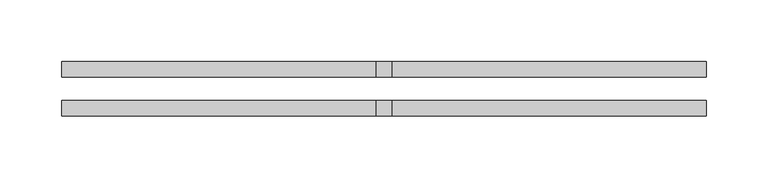
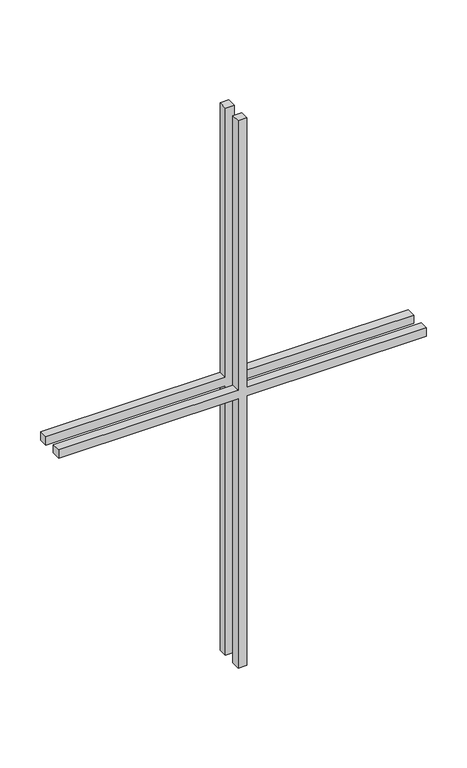
"""IFC4 building model written with IfcOpenShell, lengths in millimetres: proxy geometry."""

from ifc_helpers import new_model, si_unit, frame, origin, place, context, project, spatial, polyline, outline, extrude, source, transform, mapped, element, save


def generic_models_8a7fc2d2(model_context):
    return source(origin(), model_context, "Body", "SweptSolid", [
        extrude(outline(polyline([(418.25, -6.35), (418.25, -261.9), (405.55, -261.9), (405.55, -6.35), (0.0, -6.35), (0.0, 6.35), (405.55, 6.35), (405.55, 261.9), (418.25, 261.9), (418.25, 6.35), (823.8, 6.35), (823.8, -6.35), (418.25, -6.35)])), frame((0.0, -22.225, 0.0), z_axis=(0.0, 1.0, 0.0), x_axis=(0.0, 0.0, 1.0)), (0.0, 0.0, 1.0), 12.7),
        extrude(outline(polyline([(418.25, -6.35), (418.25, -261.9), (405.55, -261.9), (405.55, -6.35), (0.0, -6.35), (0.0, 6.35), (405.55, 6.35), (405.55, 261.9), (418.25, 261.9), (418.25, 6.35), (823.8, 6.35), (823.8, -6.35), (418.25, -6.35)])), frame((0.0, 9.525, 0.0), z_axis=(0.0, 1.0, 0.0), x_axis=(0.0, 0.0, 1.0)), (0.0, 0.0, 1.0), 12.7),
    ])


if __name__ == "__main__":
    model = new_model("IFC4")
    model_context = context("Model", 3, world=origin())
    ifc_project = project(units=[si_unit("LENGTHUNIT", "METRE", prefix="MILLI")], contexts=[model_context])
    site = spatial("IfcSite", under=ifc_project)
    building = spatial("IfcBuilding", under=site)
    placement = place(None, origin())
    generic_models_shape = generic_models_8a7fc2d2(model_context)
    element("IfcBuildingElementProxy", 1, Name="Generic Models", at=placement, inside=building, context=model_context, shape_type="MappedRepresentation", body=[
        mapped(generic_models_shape, transform((0.0, 0.0, 0.0), x_axis=(1.0, 0.0, 0.0), y_axis=(0.0, 1.0, 0.0), z_axis=(0.0, 0.0, 1.0))),
    ])
    save(model, "model.ifc")
